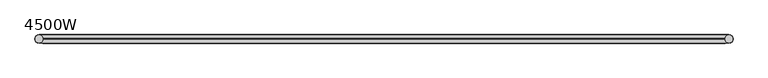
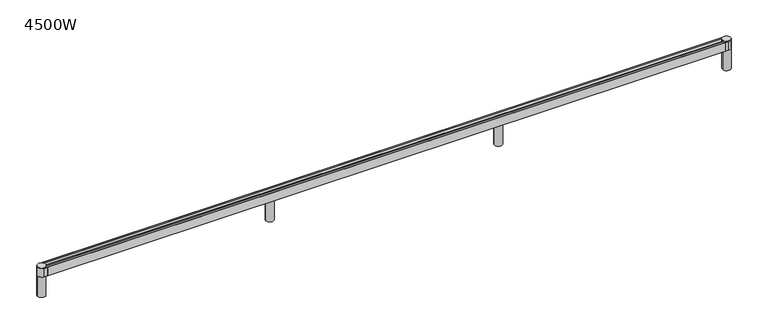
"""IFC4 building model written with IfcOpenShell, lengths in millimetres: furniture geometry, 4500W."""

from ifc_helpers import new_model, si_unit, point, frame, frame_2d, origin, place, context, project, spatial, polyline, circle_curve, trimmed, segment, composite_curve, outline, extrude, source, transform, mapped, element, save
from ifc_brep_helpers import plane_surface, cylinder_surface, revolved_surface, advanced_brep


def furniture_4500w_7d006cfe(model_context):
    return source(origin(), model_context, "Body", "SolidModel", [
        extrude(outline(composite_curve([segment(trimmed(circle_curve(frame_2d((2344.328727, 0.0)), 25.0), [point((2319.328727, 0.0))], [point((2369.328727, 0.0))], False, "CARTESIAN"), True, "CONTINUOUS"), segment(trimmed(circle_curve(frame_2d((2344.328727, 0.0)), 25.0), [point((2369.328727, 0.0))], [point((2319.328727, 0.0))], False, "CARTESIAN"), True, "CONTINUOUS")], self_intersect=False)), frame((0.0, 0.0, 695.0456486), z_axis=(0.0, 0.0, 1.0), x_axis=(1.0, 0.0, 0.0)), (0.0, 0.0, 1.0), 137.0259793),
        advanced_brep(
        [(3765.0120349, 4.7998351, 876.6499786), (3765.0120349, 8.5996401, 876.6499786), (3765.0120349, 8.5996401, 873.6493624), (3765.0120349, 4.7998351, 871.3997904), (3765.0120349, -4.7997742, 871.3997904), (3765.0120349, -8.6015323, 873.6493624), (3765.0120349, -8.6015323, 876.6499786), (3765.0120349, -4.7997742, 876.6499786), (3765.0120349, -4.7997742, 880.3998224), (3765.0120349, -7.8318513, 880.3998224), (3765.0120349, -7.8318513, 879.1951858), (3765.0120349, -24.8007518, 879.1951858), (3765.0120349, -24.8007518, 832.0710056), (3765.0120349, 24.7998362, 832.0710056), (3765.0120349, 24.7998362, 879.1951858), (3765.0120349, 7.8318513, 879.1951858), (3765.0120349, 7.8318513, 880.3998224), (3765.0120349, 4.7998351, 880.3998224), (-520.2011683, 4.7998351, 876.6499786), (-520.2011683, 4.7998351, 880.3998224), (-520.2011683, 7.8318513, 880.3998224), (-520.2011683, 7.8318513, 879.1951858), (-520.2011683, 24.7998362, 879.1951858), (-520.2011683, 24.7998362, 832.0710056), (-520.2011683, -24.8007518, 832.0710056), (-520.2011683, -24.8007518, 879.1951858), (-520.2011683, -7.8318513, 879.1951858), (-520.2011683, -7.8318513, 880.3998224), (-520.2011683, -4.7997742, 880.3998224), (-520.2011683, -4.7997742, 876.6499786), (-520.2011683, -8.6015323, 876.6499786), (-520.2011683, -8.6015323, 873.6493624), (-520.2011683, -4.7997742, 871.3997904), (-520.2011683, 4.7998351, 871.3997904), (-520.2011683, 8.5996401, 873.6493624), (-520.2011683, 8.5996401, 876.6499786), (-540.7927041, -24.8007518, 880.3998224), (3785.6035707, -24.8007518, 880.3998224), (3785.5963702, 24.7998362, 880.3998224), (-540.7855036, 24.7998362, 880.3998224), (3765.0120349, -27.0355022, 832.0710056), (-520.2011683, -27.0355022, 832.0710056), (-543.9874536, -26.620311, 832.0710056), (-543.9874536, 26.58484, 832.0710056), (-520.2011683, 27.0000312, 832.0710056), (3765.0120349, 27.0000312, 832.0710056), (3788.7983202, 26.58484, 832.0710056), (3788.7983202, -26.620311, 832.0710056), (3788.9355425, -24.8007518, 832.0710056), (3788.9355425, 24.7998362, 832.0710056), (-544.1246759, 24.7998362, 832.0710056), (-544.1246759, -24.8007518, 832.0710056), (3785.6035707, -24.8007518, 879.1951858), (-540.7927041, -24.8007518, 879.1951858), (-544.1246759, -24.8007518, 887.4001865), (3788.9355425, -24.8007518, 887.4001865), (-520.2011683, -27.0355022, 887.4001865), (3765.0120349, -27.0355022, 887.4001865), (3788.7983202, -26.620311, 887.4001865), (3788.7983202, 26.58484, 887.4001865), (3765.0120349, 27.0000312, 887.4001865), (-520.2011683, 27.0000312, 887.4001865), (-543.9874536, 26.58484, 887.4001865), (-543.9874536, -26.620311, 887.4001865), (3788.9355425, 24.7998362, 887.4001865), (-544.1246759, 24.7998362, 887.4001865), (-540.7855036, 24.7998362, 879.1951858), (3785.5963702, 24.7998362, 879.1951858)],
        [
            (0, 1),
            (1, 2),
            (2, 3),
            (3, 4),
            (4, 5),
            (5, 6),
            (6, 7),
            (7, 8),
            (8, 9),
            (9, 10),
            (10, 11),
            (11, 12),
            (12, 13),
            (13, 14),
            (14, 15),
            (15, 16),
            (16, 17),
            (17, 0),
            (18, 19),
            (19, 20),
            (20, 21),
            (21, 22),
            (22, 23),
            (23, 24),
            (24, 25),
            (25, 26),
            (26, 27),
            (27, 28),
            (28, 29),
            (29, 30),
            (30, 31),
            (31, 32),
            (32, 33),
            (33, 34),
            (34, 35),
            (35, 18),
            (0, 18),
            (35, 1),
            (34, 2),
            (33, 3),
            (32, 4),
            (31, 5),
            (30, 6),
            (29, 7),
            (28, 8),
            (27, 36, circle_curve(frame((-543.9427374, 0.0, 880.3998224), z_axis=(0.0, 0.0, -1.0), x_axis=(1.0, 0.0, 0.0)), 25.0)),
            (36, 37),
            (37, 9, circle_curve(frame((3788.753604, 0.0, 880.3998224), z_axis=(0.0, 0.0, -1.0), x_axis=(-1.0, 0.0, 0.0)), 25.0)),
            (19, 17),
            (16, 38, circle_curve(frame((3788.753604, 0.0, 880.3998224), z_axis=(0.0, 0.0, -1.0), x_axis=(-1.0, 0.0, 0.0)), 25.0)),
            (38, 39),
            (39, 20, circle_curve(frame((-543.9427374, 0.0, 880.3998224), z_axis=(0.0, 0.0, -1.0), x_axis=(1.0, 0.0, 0.0)), 25.0)),
            (40, 41),
            (41, 42),
            (42, 43, circle_curve(frame((-543.5231039, -0.0177355, 832.0710056), z_axis=(0.0, 0.0, -1.0), x_axis=(1.0, 0.0, 0.0)), 26.6066278)),
            (43, 44),
            (44, 45),
            (45, 46),
            (46, 47, circle_curve(frame((3788.3339705, -0.0177355, 832.0710056), z_axis=(0.0, 0.0, -1.0), x_axis=(-1.0, 0.0, 0.0)), 26.6066278)),
            (47, 40),
            (12, 48),
            (48, 49, circle_curve(frame((3788.9355425, -0.0004578, 832.0710056), z_axis=(0.0, 0.0, 1.0), x_axis=(-1.0, 0.0, 0.0)), 24.800294)),
            (49, 13),
            (23, 50),
            (50, 51, circle_curve(frame((-544.1246759, -0.0004578, 832.0710056), z_axis=(0.0, 0.0, 1.0), x_axis=(1.0, 0.0, 0.0)), 24.800294)),
            (51, 24),
            (11, 52),
            (52, 37),
            (36, 53),
            (53, 25),
            (51, 54),
            (54, 55),
            (55, 48),
            (56, 57),
            (57, 58),
            (58, 59, circle_curve(frame((3788.3339705, -0.0177355, 887.4001865), z_axis=(0.0, 0.0, 1.0), x_axis=(-1.0, 0.0, 0.0)), 26.6066278)),
            (59, 60),
            (60, 61),
            (61, 62),
            (62, 63, circle_curve(frame((-543.5231039, -0.0177355, 887.4001865), z_axis=(0.0, 0.0, 1.0), x_axis=(1.0, 0.0, 0.0)), 26.6066278)),
            (63, 56),
            (64, 55, circle_curve(frame((3788.9355425, -0.0004578, 887.4001865), z_axis=(0.0, 0.0, -1.0), x_axis=(-1.0, 0.0, 0.0)), 24.800294)),
            (54, 65, circle_curve(frame((-544.1246759, -0.0004578, 887.4001865), z_axis=(0.0, 0.0, -1.0), x_axis=(1.0, 0.0, 0.0)), 24.800294)),
            (65, 64),
            (40, 57),
            (56, 41),
            (44, 61),
            (60, 45),
            (49, 64),
            (65, 50),
            (22, 66),
            (66, 39),
            (38, 67),
            (67, 14),
            (67, 15, circle_curve(frame((3788.753604, 0.0, 879.1951858), z_axis=(0.0, 0.0, 1.0), x_axis=(-1.0, 0.0, 0.0)), 25.0)),
            (10, 52, circle_curve(frame((3788.753604, 0.0, 879.1951858), z_axis=(0.0, 0.0, 1.0), x_axis=(-1.0, 0.0, 0.0)), 25.0)),
            (59, 46),
            (58, 47),
            (43, 62),
            (42, 63),
            (21, 66, circle_curve(frame((-543.9427374, 0.0, 879.1951858), z_axis=(0.0, 0.0, 1.0), x_axis=(1.0, 0.0, 0.0)), 25.0)),
            (53, 26, circle_curve(frame((-543.9427374, 0.0, 879.1951858), z_axis=(0.0, 0.0, 1.0), x_axis=(1.0, 0.0, 0.0)), 25.0)),
        ],
        [
            plane_surface(frame((3765.0120349, 4.7998351, 876.6499786), z_axis=(1.0, 0.0, 0.0), x_axis=(0.0, 1.0, 0.0))),
            plane_surface(frame((-520.2011683, 4.7998351, 876.6499786), z_axis=(-1.0, 0.0, 0.0), x_axis=(0.0, -1.0, 0.0))),
            plane_surface(frame((3765.0120349, 4.7998351, 876.6499786), z_axis=(0.0, 0.0, -1.0), x_axis=(-1.0, 0.0, 0.0))),
            plane_surface(frame((3765.0120349, 8.5996401, 876.6499786), z_axis=(0.0, -1.0, 0.0), x_axis=(-1.0, 0.0, 0.0))),
            plane_surface(frame((3765.0120349, 8.5996401, 873.6493624), z_axis=(0.0, -0.5094396020509875, 0.8605064159331594), x_axis=(-1.0, 0.0, 0.0))),
            plane_surface(frame((3765.0120349, 4.7998351, 871.3997904), z_axis=(0.0, 0.0, 1.0), x_axis=(-1.0, 0.0, 0.0))),
            plane_surface(frame((3765.0120349, -4.7997742, 871.3997904), z_axis=(0.0, 0.5092457736726581, 0.8606211373168428), x_axis=(-1.0, 0.0, 0.0))),
            plane_surface(frame((3765.0120349, -8.6015323, 873.6493624), z_axis=(0.0, 1.0, 0.0), x_axis=(-1.0, 0.0, 0.0))),
            plane_surface(frame((3765.0120349, -8.6015323, 876.6499786), z_axis=(0.0, 0.0, -1.0), x_axis=(-1.0, 0.0, 0.0))),
            plane_surface(frame((3765.0120349, -4.7997742, 876.6499786), z_axis=(0.0, 1.0, 0.0), x_axis=(-1.0, 0.0, 0.0))),
            plane_surface(frame((3765.0120349, -4.7997742, 880.3998224), z_axis=(0.0, 0.0, 1.0), x_axis=(-1.0, 0.0, 0.0))),
            plane_surface(frame((3765.0120349, -27.0355022, 832.0710056), z_axis=(0.0, 0.0, -1.0), x_axis=(-1.0, 0.0, 0.0))),
            plane_surface(frame((3765.0120349, 4.7998351, 880.3998224), z_axis=(0.0, -1.0, 0.0), x_axis=(-1.0, 0.0, 0.0))),
            plane_surface(frame((3765.0120349, -24.8007518, 880.3998224), z_axis=(0.0, 1.0, 0.0), x_axis=(-1.0, 0.0, 0.0))),
            plane_surface(frame((3765.0120349, -24.8007518, 887.4001865), z_axis=(0.0, 0.0, 1.0), x_axis=(-1.0, 0.0, 0.0))),
            plane_surface(frame((3765.0120349, -27.0355022, 887.4001865), z_axis=(0.0, -1.0, 0.0), x_axis=(-1.0, 0.0, 0.0))),
            plane_surface(frame((3765.0120349, 27.0000312, 832.0710056), z_axis=(0.0, 1.0, 0.0), x_axis=(-1.0, 0.0, 0.0))),
            plane_surface(frame((3765.0120349, 24.7998362, 887.4001865), z_axis=(0.0, -1.0, 0.0), x_axis=(-1.0, 0.0, 0.0))),
            plane_surface(frame((3763.753604, 0.0, 879.1951858), z_axis=(0.0, 0.0, -1.0), x_axis=(0.0, -1.0, 0.0))),
            revolved_surface(polyline([(3763.753604, 0.0, 879.1951858), (3763.753604, 0.0, 880.3998224)]), (3788.753604, 0.0, 879.1951858), (0.0, 0.0, -1.0)),
            revolved_surface(polyline([(3763.753604, 0.0, 879.1951858), (3763.753604, 0.0, 880.3998224)]), (3788.753604, 0.0, 0.0), (0.0, 0.0, -1.0)),
            plane_surface(frame((3788.7983202, 26.58484, 887.4001865), z_axis=(0.01745240643728328, 0.9998476951563913, 0.0), x_axis=(0.0, 0.0, -1.0))),
            cylinder_surface(frame((3788.3339705, -0.0177355, 832.0710056), z_axis=(0.0, 0.0, 1.0), x_axis=(-1.0, 0.0, 0.0)), 26.6066278),
            plane_surface(frame((3765.0120349, -27.0355022, 887.4001865), z_axis=(0.01745240643727955, -0.9998476951563914, 0.0), x_axis=(0.0, 0.0, -1.0))),
            revolved_surface(polyline([(3764.1352484999998, -0.0004578, 832.0710056), (3764.1352484999998, -0.0004578, 887.4001865)]), (3788.9355425, -0.0004578, 832.0710056), (0.0, 0.0, -1.0)),
            plane_surface(frame((-520.2011683, 27.0000312, 887.4001865), z_axis=(-0.017452406437282117, 0.9998476951563913, 0.0), x_axis=(0.0, 0.0, -1.0))),
            cylinder_surface(frame((-543.5231039, -0.0177355, 832.0710056), z_axis=(0.0, 0.0, 1.0), x_axis=(1.0, 0.0, 0.0)), 26.6066278),
            plane_surface(frame((-543.9874536, -26.620311, 887.4001865), z_axis=(-0.01745240643728656, -0.9998476951563913, 0.0), x_axis=(0.0, 0.0, -1.0))),
            revolved_surface(polyline([(-519.3243819, -0.0004578, 832.0710056), (-519.3243819, -0.0004578, 887.4001865)]), (-544.1246759, -0.0004578, 832.0710056), (0.0, 0.0, -1.0)),
            plane_surface(frame((-520.2011683, 24.7998362, 879.1951858), z_axis=(0.0, 0.0, -1.0), x_axis=(0.0, -1.0, 0.0))),
            revolved_surface(polyline([(-518.9427374, 0.0, 879.1951858), (-518.9427374, 0.0, 880.3998224)]), (-543.9427374, 0.0, 879.1951858), (0.0, 0.0, -1.0)),
            revolved_surface(polyline([(-518.9427374, 0.0, 879.1951858), (-518.9427374, 0.0, 880.3998224)]), (-543.9427374, 0.0, 0.0), (0.0, 0.0, -1.0)),
        ],
        [
            (0, [[1, 2, 3, 4, 5, 6, 7, 8, 9, 10, 11, 12, 13, 14, 15, 16, 17, 18]]),
            (1, [[19, 20, 21, 22, 23, 24, 25, 26, 27, 28, 29, 30, 31, 32, 33, 34, 35, 36]]),
            (2, [[-1, 37, -36, 38]]),
            (3, [[-2, -38, -35, 39]]),
            (4, [[-3, -39, -34, 40]]),
            (5, [[-4, -40, -33, 41]]),
            (6, [[-5, -41, -32, 42]]),
            (7, [[-6, -42, -31, 43]]),
            (8, [[-7, -43, -30, 44]]),
            (9, [[-8, -44, -29, 45]]),
            (10, [[-45, -28, 46, 47, 48, -9]]),
            (10, [[49, -17, 50, 51, 52, -20]]),
            (11, [[53, 54, 55, 56, 57, 58, 59, 60], [61, 62, 63, -13], [64, 65, 66, -24]]),
            (12, [[-18, -49, -19, -37]]),
            (13, [[-61, -12, 67, 68, -47, 69, 70, -25, -66, 71, 72, 73]]),
            (14, [[74, 75, 76, 77, 78, 79, 80, 81], [82, -72, 83, 84]]),
            (15, [[-53, 85, -74, 86]]),
            (16, [[-57, 87, -78, 88]]),
            (17, [[-63, 89, -84, 90, -64, -23, 91, 92, -51, 93, 94, -14]]),
            (18, [[95, -15, -94]]),
            (18, [[96, -67, -11]]),
            (19, [[-50, -16, -95, -93]]),
            (20, [[-48, -68, -96, -10]]),
            (21, [[-77, 97, -58, -88]]),
            (22, [[-76, 98, -59, -97]]),
            (23, [[-75, -85, -60, -98]]),
            (24, [[-82, -89, -62, -73]]),
            (25, [[-79, -87, -56, 99]]),
            (26, [[-80, -99, -55, 100]]),
            (27, [[-81, -100, -54, -86]]),
            (28, [[-83, -71, -65, -90]]),
            (29, [[101, -91, -22]]),
            (29, [[102, -26, -70]]),
            (30, [[-52, -92, -101, -21]]),
            (31, [[-46, -27, -102, -69]]),
        ],
    ),
        extrude(outline(composite_curve([segment(trimmed(circle_curve(frame_2d((900.033588, 0.0)), 25.0), [point((875.033588, 0.0))], [point((925.033588, 0.0))], False, "CARTESIAN"), True, "CONTINUOUS"), segment(trimmed(circle_curve(frame_2d((900.033588, 0.0)), 25.0), [point((925.033588, 0.0))], [point((875.033588, 0.0))], False, "CARTESIAN"), True, "CONTINUOUS")], self_intersect=False)), frame((0.0, 0.0, 695.0456486), z_axis=(0.0, 0.0, 1.0), x_axis=(1.0, 0.0, 0.0)), (0.0, 0.0, 1.0), 137.0259793),
        extrude(outline(composite_curve([segment(trimmed(circle_curve(frame_2d((3788.623866, 0.0)), 25.0), [point((3763.623866, 0.0))], [point((3813.623866, 0.0))], False, "CARTESIAN"), True, "CONTINUOUS"), segment(trimmed(circle_curve(frame_2d((3788.623866, 0.0)), 25.0), [point((3813.623866, 0.0))], [point((3763.623866, 0.0))], False, "CARTESIAN"), True, "CONTINUOUS")], self_intersect=False)), frame((0.0, 0.0, 695.0456486), z_axis=(0.0, 0.0, 1.0), x_axis=(1.0, 0.0, 0.0)), (0.0, 0.0, 1.0), 137.0259793),
        extrude(outline(composite_curve([segment(trimmed(circle_curve(frame_2d((3788.753604, 0.0)), 25.0), [point((3813.753604, 0.0))], [point((3763.753604, 0.0))], False, "CARTESIAN"), True, "CONTINUOUS"), segment(trimmed(circle_curve(frame_2d((3788.753604, 0.0)), 25.0), [point((3763.753604, 0.0))], [point((3813.753604, 0.0))], False, "CARTESIAN"), True, "CONTINUOUS")], self_intersect=False)), frame((0.0, 0.0, 880.4002504), z_axis=(0.0, 0.0, 1.0), x_axis=(1.0, 0.0, 0.0)), (0.0, 0.0, 1.0), 10.5124817),
        extrude(outline(composite_curve([segment(trimmed(circle_curve(frame_2d((-543.9427374, 0.0)), 25.0), [point((-568.9427374, 0.0))], [point((-518.9427374, 0.0))], False, "CARTESIAN"), True, "CONTINUOUS"), segment(trimmed(circle_curve(frame_2d((-543.9427374, 0.0)), 25.0), [point((-518.9427374, 0.0))], [point((-568.9427374, 0.0))], False, "CARTESIAN"), True, "CONTINUOUS")], self_intersect=False)), frame((0.0, 0.0, 880.4002504), z_axis=(0.0, 0.0, 1.0), x_axis=(1.0, 0.0, 0.0)), (0.0, 0.0, 1.0), 10.5124817),
        extrude(outline(composite_curve([segment(trimmed(circle_curve(frame_2d((-544.261551, 0.0)), 25.0), [point((-569.261551, 0.0))], [point((-519.261551, 0.0))], False, "CARTESIAN"), True, "CONTINUOUS"), segment(trimmed(circle_curve(frame_2d((-544.261551, 0.0)), 25.0), [point((-519.261551, 0.0))], [point((-569.261551, 0.0))], False, "CARTESIAN"), True, "CONTINUOUS")], self_intersect=False)), frame((0.0, 0.0, 695.0456486), z_axis=(0.0, 0.0, 1.0), x_axis=(1.0, 0.0, 0.0)), (0.0, 0.0, 1.0), 137.0259793),
    ])


if __name__ == "__main__":
    model = new_model("IFC4")
    model_context = context("Model", 3, world=origin())
    ifc_project = project(units=[si_unit("LENGTHUNIT", "METRE", prefix="MILLI")], contexts=[model_context])
    site = spatial("IfcSite", under=ifc_project)
    building = spatial("IfcBuilding", under=site)
    placement = place(None, origin())
    furniture_4500w_shape = furniture_4500w_7d006cfe(model_context)
    element("IfcFurniture", 1, ObjectType="4500W", at=placement, inside=building, context=model_context, shape_type="MappedRepresentation", body=[
        mapped(furniture_4500w_shape, transform((0.0, 0.0, 0.0), x_axis=(1.0, 0.0, 0.0), y_axis=(0.0, 1.0, 0.0), z_axis=(0.0, 0.0, 1.0))),
    ])
    save(model, "model.ifc")
